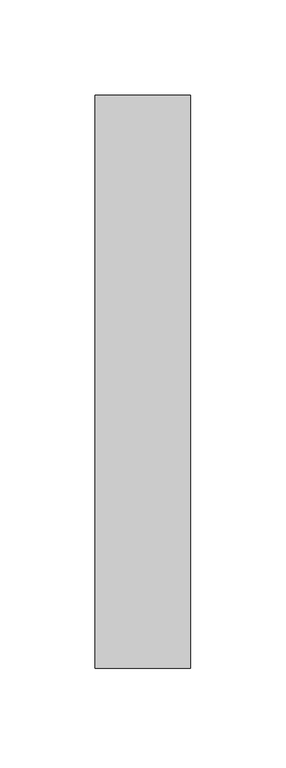
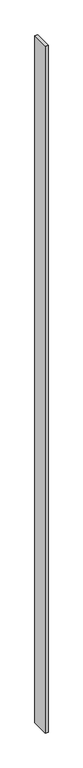
"""IFC4 building model written with IfcOpenShell, lengths in millimetres: member geometry."""

from ifc_helpers import new_model, si_unit, frame, origin, place, context, project, spatial, polyline, outline, extrude, source, transform, mapped, element, save


def member_c62c6a6d(model_context):
    return source(origin(), model_context, "Body", "SweptSolid", [
        extrude(outline(polyline([(-50.0, 279.0), (0.0, 279.0), (0.0, -21.0), (-50.0, -21.0), (-50.0, 279.0)])), frame((0.0, 0.0, -12300.0), z_axis=(0.0, 0.0, 1.0), x_axis=(1.0, 0.0, 0.0)), (0.0, 0.0, 1.0), 12300.0),
    ])


if __name__ == "__main__":
    model = new_model("IFC4")
    model_context = context("Model", 3, world=origin())
    ifc_project = project(units=[si_unit("LENGTHUNIT", "METRE", prefix="MILLI")], contexts=[model_context])
    site = spatial("IfcSite", under=ifc_project)
    building = spatial("IfcBuilding", under=site)
    placement = place(None, origin())
    member_shape = member_c62c6a6d(model_context)
    element("IfcMember", 1, at=placement, inside=building, context=model_context, shape_type="MappedRepresentation", body=[
        mapped(member_shape, transform((0.0, 0.0, 0.0), x_axis=(1.0, 0.0, 0.0), y_axis=(0.0, 1.0, 0.0), z_axis=(0.0, 0.0, 1.0))),
    ])
    save(model, "model.ifc")
